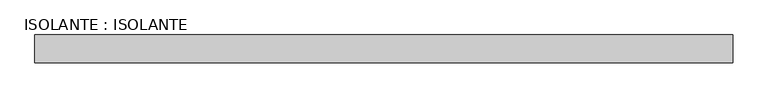
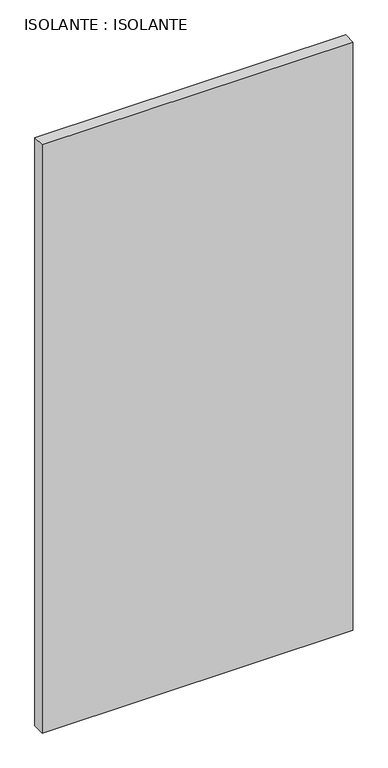
"""IFC4 building model written with IfcOpenShell, lengths in millimetres: plate geometry, ISOLANTE : ISOLANTE."""

from ifc_helpers import new_model, si_unit, origin, origin_with_axes, place, context, project, spatial, polyline, outline, extrude, source, transform, mapped, element, save


def isolante_isolante_603d9afc(model_context):
    return source(origin(), model_context, "Body", "SweptSolid", [
        extrude(outline(polyline([(-500.0, 0.0), (-500.0, 40.0), (500.0, 40.0), (500.0, 0.0), (-500.0, 0.0)])), origin_with_axes(), (0.0, 0.0, 1.0), 2000.0),
    ])


if __name__ == "__main__":
    model = new_model("IFC4")
    model_context = context("Model", 3, world=origin())
    ifc_project = project(units=[si_unit("LENGTHUNIT", "METRE", prefix="MILLI")], contexts=[model_context])
    site = spatial("IfcSite", under=ifc_project)
    building = spatial("IfcBuilding", under=site)
    placement = place(None, origin())
    isolante_isolante_shape = isolante_isolante_603d9afc(model_context)
    element("IfcPlate", 1, ObjectType="ISOLANTE : ISOLANTE", at=placement, inside=building, context=model_context, shape_type="MappedRepresentation", body=[
        mapped(isolante_isolante_shape, transform((0.0, 0.0, 0.0), x_axis=(1.0, 0.0, 0.0), y_axis=(0.0, 1.0, 0.0), z_axis=(0.0, 0.0, 1.0))),
    ])
    save(model, "model.ifc")
